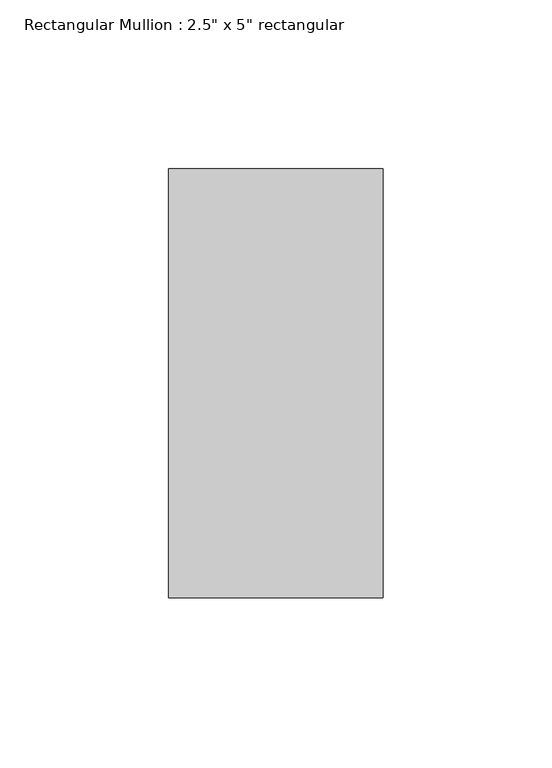
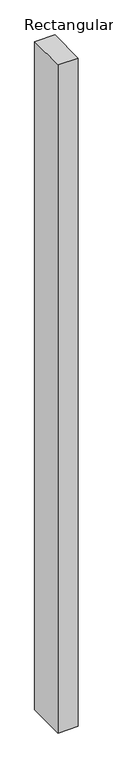
"""IFC4 building model written with IfcOpenShell, lengths in millimetres: member geometry."""

import ifcopenshell
import ifcopenshell.guid

model = None  # the IFC model being written
_history = None  # IfcOwnerHistory: only IFC2X3 demands one
_inside = {}  # id of a spatial element -> (the spatial element, [elements in it])
_under = {}  # id of a project, library or spatial element -> (it, [spatial elements below it])
_declared = {}  # id of a project -> (the project, [libraries it declares])
_typed = {}  # id of a type object -> (the type object, [elements of that type])
_made_of = {}  # id of a material, layer set ... -> (it, [elements and type objects made of it])


def new_model(schema):
    """Start an empty IFC model of exactly this schema.

    Asked for "IFC4X3", IfcOpenShell would pick the latest addendum, in which some entities
    have other attributes; the version numbers below select the first issue.
    IFC2X3 requires an IfcOwnerHistory on every rooted entity: one is made here for all.
    """
    global model, _history
    if schema == "IFC4X3":
        model = ifcopenshell.file(schema_version=(4, 3, 0, 0))
    else:
        model = ifcopenshell.file(schema=schema)
    _inside.clear()
    _under.clear()
    _declared.clear()
    _typed.clear()
    _made_of.clear()
    _history = None
    if model.schema == "IFC2X3":
        org = make("IfcOrganization", Name="unknown")
        user = make(
            "IfcPersonAndOrganization",
            ThePerson=make("IfcPerson", FamilyName="unknown"),
            TheOrganization=org,
        )
        app = make(
            "IfcApplication",
            ApplicationDeveloper=org,
            Version="unknown",
            ApplicationFullName="unknown",
            ApplicationIdentifier="unknown",
        )
        _history = make(
            "IfcOwnerHistory",
            OwningUser=user,
            OwningApplication=app,
            ChangeAction="ADDED",
            CreationDate=0,
        )
    return model


def make(cls, **values):
    """One entity of the class cls with the attributes given. An attribute that is None is left unset."""
    return model.create_entity(
        cls, **{name: value for name, value in values.items() if value is not None}
    )


def rooted(cls, **values):
    """An entity with a GlobalId (a new one), such as an element, a storey or a relation."""
    return make(cls, GlobalId=ifcopenshell.guid.new(), OwnerHistory=_history, **values)


def si_unit(unit_type, name, prefix=None):
    """IfcSIUnit, for example si_unit("LENGTHUNIT", "METRE", prefix="MILLI")."""
    return make("IfcSIUnit", UnitType=unit_type, Prefix=prefix, Name=name)


def assignment(units):
    """IfcUnitAssignment: the units of a project."""
    return None if units is None else make("IfcUnitAssignment", Units=units)


def point(xyz):
    """IfcCartesianPoint."""
    return None if xyz is None else make("IfcCartesianPoint", Coordinates=xyz)


def direction(xyz):
    """IfcDirection."""
    return None if xyz is None else make("IfcDirection", DirectionRatios=xyz)


def frame(location, z_axis=None, x_axis=None):
    """IfcAxis2Placement3D, a coordinate frame: its origin and axes. An axis left out is left unset."""
    return make(
        "IfcAxis2Placement3D",
        Location=point(location),
        Axis=direction(z_axis),
        RefDirection=direction(x_axis),
    )


def origin():
    """The frame at (0, 0, 0) with its axes left unset."""
    return frame((0.0, 0.0, 0.0))


def place(relative_to, where):
    """IfcLocalPlacement: puts the frame where relative to a parent placement (None: the world)."""
    return make(
        "IfcLocalPlacement", PlacementRelTo=relative_to, RelativePlacement=where
    )


def context(
    kind, dimensions, precision=None, world=None, true_north=None, identifier=None
):
    """IfcGeometricRepresentationContext, for example the 3D "Model" context."""
    return make(
        "IfcGeometricRepresentationContext",
        ContextIdentifier=identifier,
        ContextType=kind,
        CoordinateSpaceDimension=dimensions,
        Precision=precision,
        WorldCoordinateSystem=world,
        TrueNorth=true_north,
    )


def project(units=None, contexts=None):
    """IfcProject with its units and contexts."""
    return rooted(
        "IfcProject",
        Name="project",
        RepresentationContexts=contexts,
        UnitsInContext=assignment(units),
    )


def spatial(cls, under=None, at=None, **own):
    """A site, building, storey or space (cls), placed at a placement, below another one or the project."""
    s = rooted(cls, ObjectPlacement=at, **own)
    if under is not None:
        _under.setdefault(under.id(), (under, []))[1].append(s)
    return s


def polyline(points):
    """IfcPolyline through the points."""
    return make("IfcPolyline", Points=[point(p) for p in points])


def outline(outer, holes=None, kind="AREA"):
    """IfcArbitraryClosedProfileDef: a profile drawn as a closed curve; with holes, ...WithVoids."""
    if holes is None:
        return make("IfcArbitraryClosedProfileDef", ProfileType=kind, OuterCurve=outer)
    return make(
        "IfcArbitraryProfileDefWithVoids",
        ProfileType=kind,
        OuterCurve=outer,
        InnerCurves=holes,
    )


def extrude(swept, where, along, depth):
    """IfcExtrudedAreaSolid: the profile swept, set in the frame where, extruded along a direction by depth."""
    return make(
        "IfcExtrudedAreaSolid",
        SweptArea=swept,
        Position=where,
        ExtrudedDirection=direction(along),
        Depth=depth,
    )


def shape(context_of_items, identifier, shape_type, items):
    """IfcShapeRepresentation: the items that make up one representation, for example the "Body"."""
    return make(
        "IfcShapeRepresentation",
        ContextOfItems=context_of_items,
        RepresentationIdentifier=identifier,
        RepresentationType=shape_type,
        Items=items,
    )


def source(mapping_origin, context_of_items, identifier, shape_type, items):
    """IfcRepresentationMap: a shape defined once, which mapped items show again and again."""
    return make(
        "IfcRepresentationMap",
        MappingOrigin=mapping_origin,
        MappedRepresentation=shape(context_of_items, identifier, shape_type, items),
    )


def transform(
    local_origin,
    x_axis=None,
    y_axis=None,
    z_axis=None,
    scale=None,
    scale2=None,
    scale3=None,
    uniform=True,
):
    """IfcCartesianTransformationOperator3D, or its non-uniform kind. x_axis, y_axis, z_axis: its Axis1, 2, 3."""
    if uniform:
        return make(
            "IfcCartesianTransformationOperator3D",
            Axis1=direction(x_axis),
            Axis2=direction(y_axis),
            LocalOrigin=point(local_origin),
            Scale=scale,
            Axis3=direction(z_axis),
        )
    return make(
        "IfcCartesianTransformationOperator3DnonUniform",
        Axis1=direction(x_axis),
        Axis2=direction(y_axis),
        LocalOrigin=point(local_origin),
        Scale=scale,
        Axis3=direction(z_axis),
        Scale2=scale2,
        Scale3=scale3,
    )


def mapped(mapping_source, mapping_target):
    """IfcMappedItem: shows the shape of a source again, moved by a transform."""
    return make(
        "IfcMappedItem", MappingSource=mapping_source, MappingTarget=mapping_target
    )


def made_of(thing, what):
    """Note that an element or type object is made of a material, layer set ...; save() writes the relation."""
    if what is not None:
        _made_of.setdefault(what.id(), (what, []))[1].append(thing)
    return thing


def element(
    cls,
    number,
    at=None,
    inside=None,
    cuts=None,
    type_object=None,
    material=None,
    context=None,
    identifier="Body",
    shape_type=None,
    held_by="IfcProductDefinitionShape",
    body=None,
    shapes=None,
    **own,
):
    """One element of the class cls, such as IfcWall. Its Tag is "e" and its number.

    at: its placement. inside: the storey or other place that contains it. cuts: it is an
    opening in that element (IfcRelVoidsElement). A single representation is given by context,
    identifier, shape_type and body (its items); several are given by shapes. held_by: the class
    of the entity that holds the representations. save() writes the other relations.
    """
    e = rooted(cls, Tag="e%d" % number, ObjectPlacement=at, **own)
    if body is not None:
        shapes = [shape(context, identifier, shape_type, body)]
    if shapes is not None:
        e.Representation = make(held_by, Representations=shapes)
    if inside is not None:
        _inside.setdefault(inside.id(), (inside, []))[1].append(e)
    if cuts is not None:
        rooted(
            "IfcRelVoidsElement", RelatingBuildingElement=cuts, RelatedOpeningElement=e
        )
    if type_object is not None:
        _typed.setdefault(type_object.id(), (type_object, []))[1].append(e)
    return made_of(e, material)


def aggregate(whole, parts):
    """IfcRelAggregates: a whole, such as a stair, and the parts it consists of."""
    return rooted("IfcRelAggregates", RelatingObject=whole, RelatedObjects=parts)


def save(model, path):
    """Write the relations noted so far, then the file.

    IfcRelAggregates (storeys below a building ...), IfcRelContainedInSpatialStructure (elements
    in a storey), IfcRelDefinesByType, IfcRelAssociatesMaterial and IfcRelDeclares: one each for
    every whole, place, type object, material and project.
    """
    for whole, parts in _under.values():
        aggregate(whole, parts)
    for where, things in _inside.values():
        rooted(
            "IfcRelContainedInSpatialStructure",
            RelatedElements=things,
            RelatingStructure=where,
        )
    for kind, things in _typed.values():
        rooted("IfcRelDefinesByType", RelatedObjects=things, RelatingType=kind)
    for what, things in _made_of.values():
        rooted("IfcRelAssociatesMaterial", RelatedObjects=things, RelatingMaterial=what)
    for by, libraries in _declared.values():
        rooted("IfcRelDeclares", RelatingContext=by, RelatedDefinitions=libraries)
    model.write(path)


def member_cbda1b06(model_context):
    return source(origin(), model_context, "Body", "SweptSolid", [
        extrude(outline(polyline([(31.75, 63.5), (31.75, -63.5), (-31.75, -63.5), (-31.75, 63.5), (31.75, 63.5)])), frame((0.0, 0.0, -2220.0), z_axis=(0.0, 0.0, 1.0), x_axis=(1.0, 0.0, 0.0)), (0.0, 0.0, 1.0), 2220.0),
    ])


if __name__ == "__main__":
    model = new_model("IFC4")
    model_context = context("Model", 3, world=origin())
    ifc_project = project(units=[si_unit("LENGTHUNIT", "METRE", prefix="MILLI")], contexts=[model_context])
    site = spatial("IfcSite", under=ifc_project)
    building = spatial("IfcBuilding", under=site)
    placement = place(None, origin())
    member_shape = member_cbda1b06(model_context)
    element("IfcMember", 1, ObjectType="Rectangular Mullion : 2.5\" x 5\" rectangular", at=placement, inside=building, context=model_context, shape_type="MappedRepresentation", body=[
        mapped(member_shape, transform((0.0, 0.0, 0.0), x_axis=(1.0, 0.0, 0.0), y_axis=(0.0, 1.0, 0.0), z_axis=(0.0, 0.0, 1.0))),
    ])
    save(model, "model.ifc")
